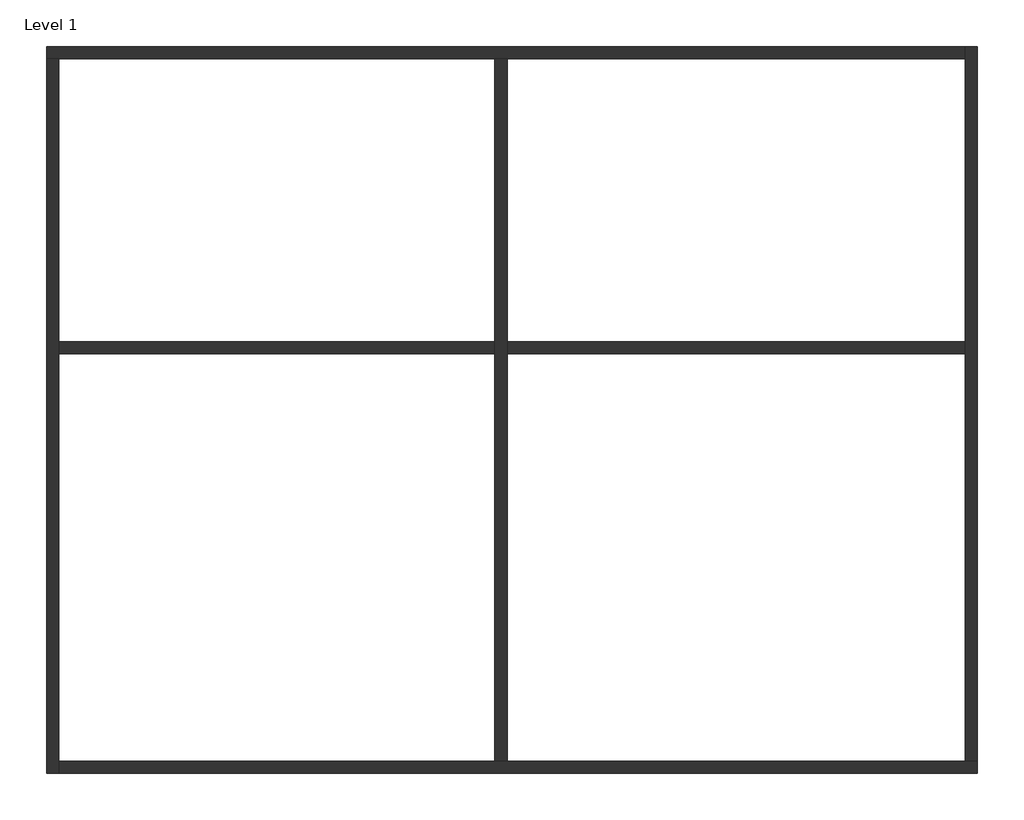
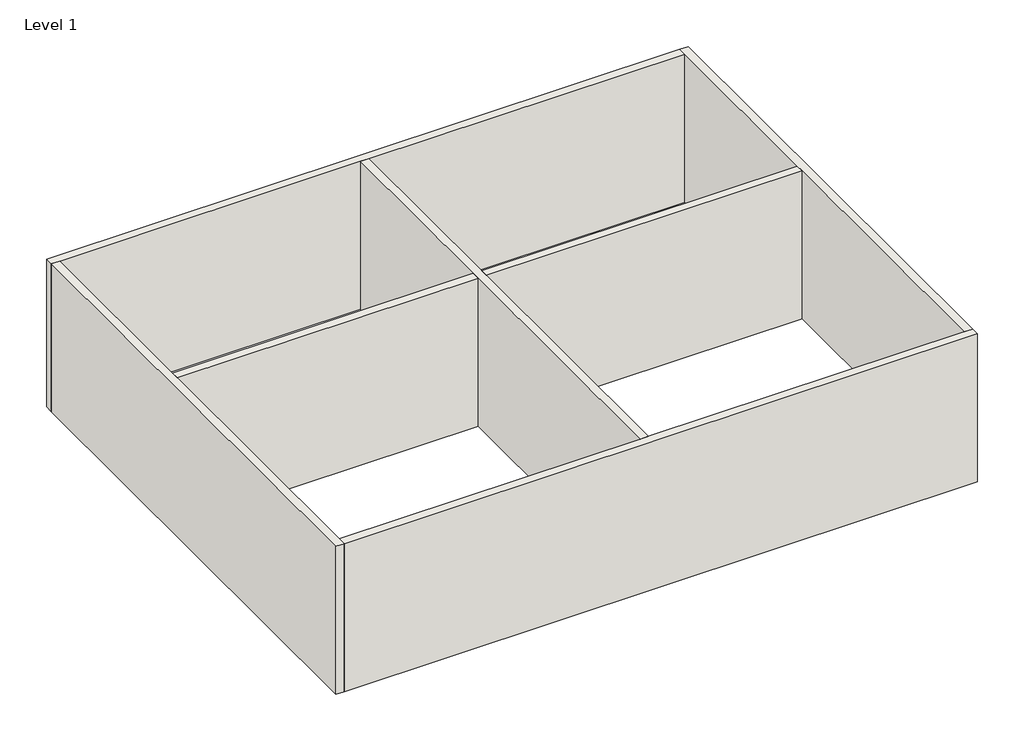
# One storey: 6 walls.
"""IFC4 building model written with IfcOpenShell, lengths in millimetres."""

from ifc_helpers import new_model, si_unit, origin, origin_with_axes, place, context, project, spatial, polyline, outline, extrude, faceted_brep, element, save

model = new_model("IFC4")

# Units and contexts
model_context = context("Model", 3, world=origin())
ifc_project = project(units=[si_unit("LENGTHUNIT", "METRE", prefix="MILLI")], contexts=[model_context])

# Site, building, storey
site = spatial("IfcSite", under=ifc_project)
building = spatial("IfcBuilding", under=site)
storey = spatial("IfcBuildingStorey", under=building, Name="Level 1", Elevation=0.0)

# Walls
placement = place(None, origin())
element("IfcWall", 1, ObjectType="Interior - Blockwork 190", at=placement, inside=storey, context=model_context, shape_type="Brep", body=[
    faceted_brep([(-8514.3662665, 5864.4216771, 0.0), (-8300.3662665, 5864.4216771, 0.0), (-607.3662665, 5864.4216771, 0.0), (-393.3662665, 5864.4216771, 0.0), (7685.6337335, 5864.4216771, 0.0), (7685.6337335, 5864.4216771, 4000.0), (-393.3662665, 5864.4216771, 4000.0), (-607.3662665, 5864.4216771, 4000.0), (-8300.3662665, 5864.4216771, 4000.0), (-8514.3662665, 5864.4216771, 4000.0), (-8514.3662665, 6078.4216771, 0.0), (-8514.3662665, 6078.4216771, 4000.0), (7685.6337335, 6078.4216771, 4000.0), (7685.6337335, 6078.4216771, 0.0)], [[[0, 1, 2, 3, 4, 5, 6, 7, 8, 9]], [[10, 11, 12, 13]], [[4, 3, 2, 1, 0, 10, 13]], [[9, 8, 7, 6, 5, 12, 11]], [[0, 9, 11, 10]], [[5, 4, 13, 12]]]),
])
element("IfcWall", 2, ObjectType="Interior - Blockwork 190", at=placement, inside=storey, context=model_context, shape_type="Brep", body=[
    faceted_brep([(-8300.3662665, -6735.5783229, 0.0), (-8300.3662665, -6521.5783229, 0.0), (-8300.3662665, 657.4216771, 0.0), (-8300.3662665, 871.4216771, 0.0), (-8300.3662665, 5864.4216771, 0.0), (-8300.3662665, 5864.4216771, 4000.0), (-8300.3662665, 871.4216771, 4000.0), (-8300.3662665, 657.4216771, 4000.0), (-8300.3662665, -6521.5783229, 4000.0), (-8300.3662665, -6735.5783229, 4000.0), (-8514.3662665, -6735.5783229, 0.0), (-8514.3662665, -6735.5783229, 4000.0), (-8514.3662665, 5864.4216771, 4000.0), (-8514.3662665, 5864.4216771, 0.0)], [[[0, 1, 2, 3, 4, 5, 6, 7, 8, 9]], [[10, 11, 12, 13]], [[4, 3, 2, 1, 0, 10, 13]], [[9, 8, 7, 6, 5, 12, 11]], [[0, 9, 11, 10]], [[5, 4, 13, 12]]]),
])
element("IfcWall", 3, ObjectType="Interior - Blockwork 190", at=placement, inside=storey, context=model_context, shape_type="Brep", body=[
    faceted_brep([(7899.6337335, -6521.5783229, 0.0), (7685.6337335, -6521.5783229, 0.0), (-393.3662665, -6521.5783229, 0.0), (-607.3662665, -6521.5783229, 0.0), (-8300.3662665, -6521.5783229, 0.0), (-8300.3662665, -6521.5783229, 4000.0), (-607.3662665, -6521.5783229, 4000.0), (-393.3662665, -6521.5783229, 4000.0), (7685.6337335, -6521.5783229, 4000.0), (7899.6337335, -6521.5783229, 4000.0), (7899.6337335, -6735.5783229, 0.0), (7899.6337335, -6735.5783229, 4000.0), (-8300.3662665, -6735.5783229, 4000.0), (-8300.3662665, -6735.5783229, 0.0)], [[[0, 1, 2, 3, 4, 5, 6, 7, 8, 9]], [[10, 11, 12, 13]], [[4, 3, 2, 1, 0, 10, 13]], [[9, 8, 7, 6, 5, 12, 11]], [[0, 9, 11, 10]], [[5, 4, 13, 12]]]),
])
element("IfcWall", 4, ObjectType="Interior - Blockwork 190", at=placement, inside=storey, context=model_context, shape_type="Brep", body=[
    faceted_brep([(7685.6337335, 6078.4216771, 0.0), (7685.6337335, 5864.4216771, 0.0), (7685.6337335, 871.4216771, 0.0), (7685.6337335, 657.4216771, 0.0), (7685.6337335, -6521.5783229, 0.0), (7685.6337335, -6521.5783229, 4000.0), (7685.6337335, 657.4216771, 4000.0), (7685.6337335, 871.4216771, 4000.0), (7685.6337335, 5864.4216771, 4000.0), (7685.6337335, 6078.4216771, 4000.0), (7899.6337335, 6078.4216771, 0.0), (7899.6337335, 6078.4216771, 4000.0), (7899.6337335, -6521.5783229, 4000.0), (7899.6337335, -6521.5783229, 0.0)], [[[0, 1, 2, 3, 4, 5, 6, 7, 8, 9]], [[10, 11, 12, 13]], [[4, 3, 2, 1, 0, 10, 13]], [[9, 8, 7, 6, 5, 12, 11]], [[0, 9, 11, 10]], [[5, 4, 13, 12]]]),
])
element("IfcWall", 5, ObjectType="Interior - Blockwork 190", at=placement, inside=storey, context=model_context, shape_type="Brep", body=[
    faceted_brep([(-607.3662665, 5864.4216771, 0.0), (-607.3662665, 871.4216771, 0.0), (-607.3662665, 657.4216771, 0.0), (-607.3662665, -6521.5783229, 0.0), (-607.3662665, -6521.5783229, 4000.0), (-607.3662665, 657.4216771, 4000.0), (-607.3662665, 871.4216771, 4000.0), (-607.3662665, 5864.4216771, 4000.0), (-393.3662665, 5864.4216771, 0.0), (-393.3662665, 5864.4216771, 4000.0), (-393.3662665, 871.4216771, 4000.0), (-393.3662665, 657.4216771, 4000.0), (-393.3662665, -6521.5783229, 4000.0), (-393.3662665, -6521.5783229, 0.0), (-393.3662665, 657.4216771, 0.0), (-393.3662665, 871.4216771, 0.0)], [[[0, 1, 2, 3, 4, 5, 6, 7]], [[8, 9, 10, 11, 12, 13, 14, 15]], [[3, 2, 1, 0, 8, 15, 14, 13]], [[7, 6, 5, 4, 12, 11, 10, 9]], [[0, 7, 9, 8]], [[4, 3, 13, 12]]]),
])
element("IfcWall", 6, ObjectType="Interior - Blockwork 190", at=placement, inside=storey, context=model_context, shape_type="SweptSolid", body=[
    extrude(outline(polyline([(7685.6337335, 871.4216771), (7685.6337335, 657.4216771), (-393.3662665, 657.4216771), (-393.3662665, 871.4216771), (7685.6337335, 871.4216771)])), origin_with_axes(), (0.0, 0.0, 1.0), 4000.0),
    extrude(outline(polyline([(-8300.3662665, 657.4216771), (-8300.3662665, 871.4216771), (-607.3662665, 871.4216771), (-607.3662665, 657.4216771), (-8300.3662665, 657.4216771)])), origin_with_axes(), (0.0, 0.0, 1.0), 4000.0),
])

save(model, "model.ifc")
